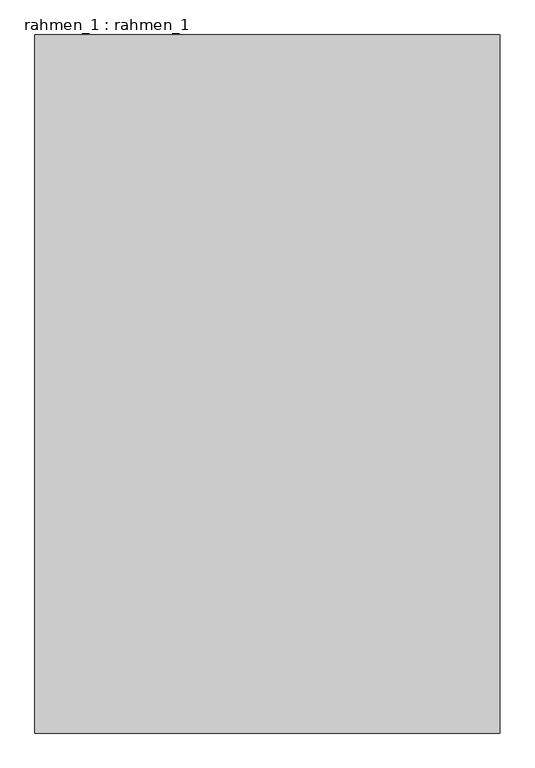
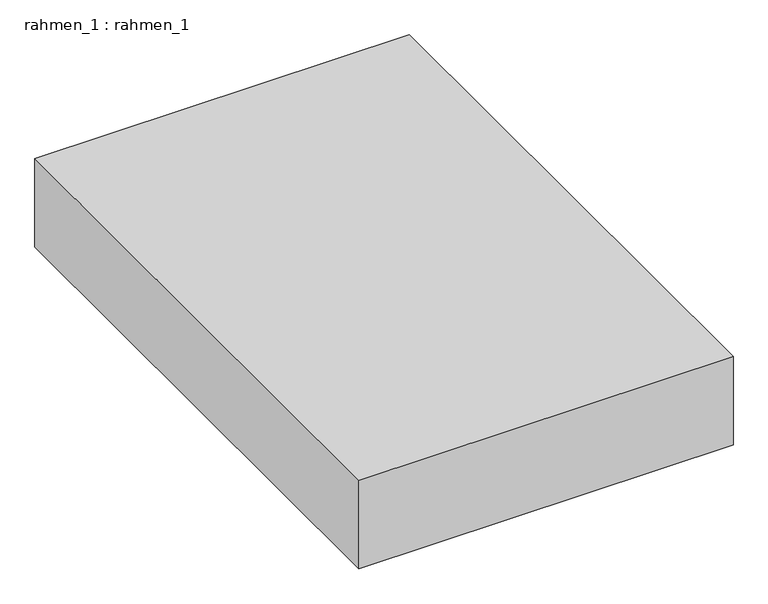
"""IFC4 building model written with IfcOpenShell, lengths in millimetres: proxy geometry, rahmen_1 : rahmen_1."""

from ifc_helpers import new_model, si_unit, origin, origin_with_axes, place, context, project, spatial, polyline, outline, extrude, source, transform, mapped, element, save


def rahmen_1_rahmen_1_6e21a673(model_context):
    return source(origin(), model_context, "Body", "SweptSolid", [
        extrude(outline(polyline([(2000.0, 1000.0), (1000.0, 1000.0), (1000.0, 2500.0), (2000.0, 2500.0), (2000.0, 1000.0)])), origin_with_axes(), (0.0, 0.0, 1.0), 250.0),
    ])


if __name__ == "__main__":
    model = new_model("IFC4")
    model_context = context("Model", 3, world=origin())
    ifc_project = project(units=[si_unit("LENGTHUNIT", "METRE", prefix="MILLI")], contexts=[model_context])
    site = spatial("IfcSite", under=ifc_project)
    building = spatial("IfcBuilding", under=site)
    placement = place(None, origin())
    rahmen_1_rahmen_1_shape = rahmen_1_rahmen_1_6e21a673(model_context)
    element("IfcBuildingElementProxy", 1, Name="rahmen_1 : rahmen_1", ObjectType="rahmen_1 : rahmen_1", at=placement, inside=building, context=model_context, shape_type="MappedRepresentation", body=[
        mapped(rahmen_1_rahmen_1_shape, transform((0.0, 0.0, 0.0), x_axis=(1.0, 0.0, 0.0), y_axis=(0.0, 1.0, 0.0), z_axis=(0.0, 0.0, 1.0))),
    ])
    save(model, "model.ifc")
